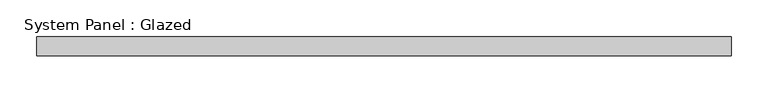
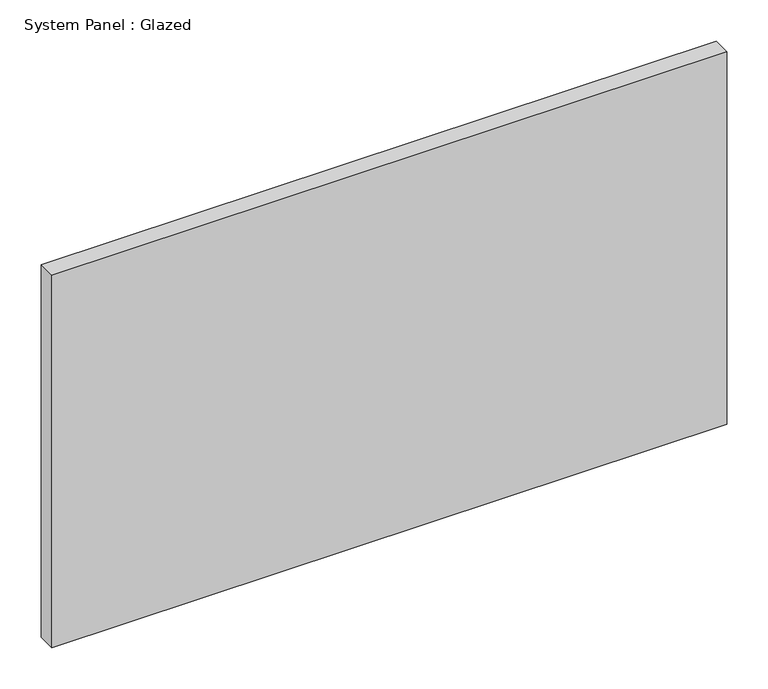
"""IFC4 building model written with IfcOpenShell, lengths in millimetres: plate geometry, System Panel : Glazed."""

from ifc_helpers import new_model, si_unit, origin, origin_with_axes, place, context, project, spatial, polyline, outline, extrude, source, transform, mapped, element, save


def system_panel_glazed_989b8597(model_context):
    return source(origin(), model_context, "Body", "SweptSolid", [
        extrude(outline(polyline([(469.9, 19.05), (-469.9, 19.05), (-469.9, 44.45), (469.9, 44.45), (469.9, 19.05)])), origin_with_axes(), (0.0, 0.0, 1.0), 548.2166667),
    ])


if __name__ == "__main__":
    model = new_model("IFC4")
    model_context = context("Model", 3, world=origin())
    ifc_project = project(units=[si_unit("LENGTHUNIT", "METRE", prefix="MILLI")], contexts=[model_context])
    site = spatial("IfcSite", under=ifc_project)
    building = spatial("IfcBuilding", under=site)
    placement = place(None, origin())
    system_panel_glazed_shape = system_panel_glazed_989b8597(model_context)
    element("IfcPlate", 1, ObjectType="System Panel : Glazed", at=placement, inside=building, context=model_context, shape_type="MappedRepresentation", body=[
        mapped(system_panel_glazed_shape, transform((0.0, 0.0, 0.0), x_axis=(1.0, 0.0, 0.0), y_axis=(0.0, 1.0, 0.0), z_axis=(0.0, 0.0, 1.0))),
    ])
    save(model, "model.ifc")
